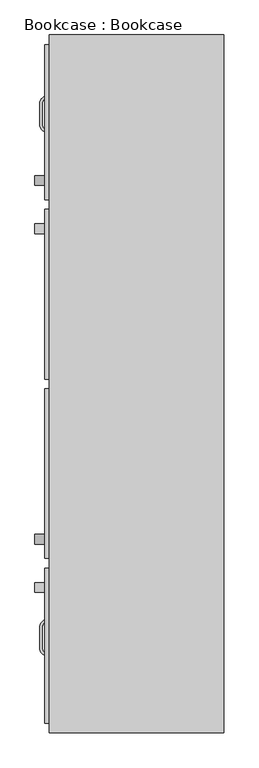
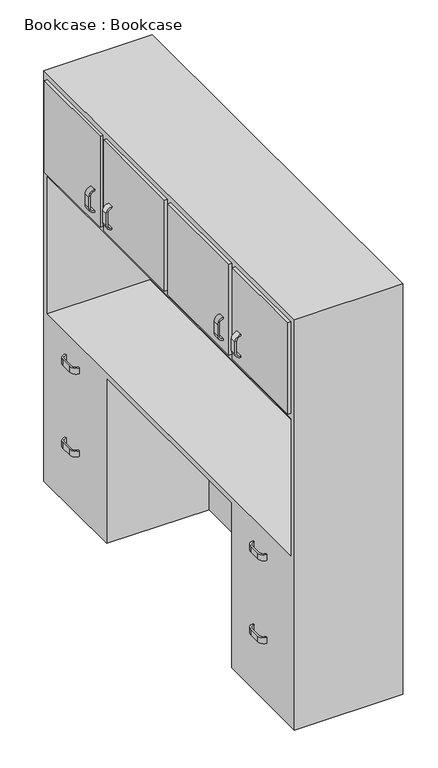
"""IFC4 building model written with IfcOpenShell, lengths in millimetres: furniture geometry, Bookcase : Bookcase."""

from ifc_helpers import new_model, si_unit, point, frame, frame_2d, origin, place, context, project, spatial, polyline, circle_curve, trimmed, segment, composite_curve, outline, extrude, faceted_brep, source, transform, mapped, element, save


def bookcase_bookcase_0d0d05a2(model_context):
    return source(origin(), model_context, "Body", "SolidModel", [
        extrude(outline(polyline([(-228.6, -8.3710981), (-215.9, -8.3710981), (-215.9, -452.8710981), (-228.6, -452.8710981), (-228.6, -8.3710981)])), frame((0.0, 0.0, 1397.0), z_axis=(0.0, 0.0, 1.0), x_axis=(1.0, 0.0, 0.0)), (0.0, 0.0, 1.0), 406.4),
        extrude(outline(polyline([(-228.6, 461.5289019), (-215.9, 461.5289019), (-215.9, 17.0289019), (-228.6, 17.0289019), (-228.6, 461.5289019)])), frame((0.0, 0.0, 1397.0), z_axis=(0.0, 0.0, 1.0), x_axis=(1.0, 0.0, 0.0)), (0.0, 0.0, 1.0), 406.4),
        extrude(outline(polyline([(-228.6, 893.3289019), (-215.9, 893.3289019), (-215.9, 486.9289019), (-228.6, 486.9289019), (-228.6, 893.3289019)])), frame((0.0, 0.0, 1397.0), z_axis=(0.0, 0.0, 1.0), x_axis=(1.0, 0.0, 0.0)), (0.0, 0.0, 1.0), 406.4),
        extrude(outline(polyline([(-228.6, -478.2710981), (-215.9, -478.2710981), (-215.9, -884.6710981), (-228.6, -884.6710981), (-228.6, -478.2710981)])), frame((0.0, 0.0, 1397.0), z_axis=(0.0, 0.0, 1.0), x_axis=(1.0, 0.0, 0.0)), (0.0, 0.0, 1.0), 406.4),
        extrude(outline(composite_curve([segment(polyline([(-241.3, 686.1820917), (-241.3, 736.9820917)]), True, "CONTINUOUS"), segment(trimmed(circle_curve(frame_2d((-215.9, 736.9820917)), 25.4), [point((-241.3, 736.9820917))], [point((-215.9, 762.3820917))], False, "CARTESIAN"), True, "CONTINUOUS"), segment(polyline([(-215.9, 762.3820917), (-215.9, 756.0320917)]), True, "CONTINUOUS"), segment(trimmed(circle_curve(frame_2d((-215.9, 736.9820917)), 19.05), [point((-215.9, 756.0320917))], [point((-234.95, 736.9820917))], True, "CARTESIAN"), True, "CONTINUOUS"), segment(polyline([(-234.95, 736.9820917), (-234.95, 686.1820917)]), True, "CONTINUOUS"), segment(trimmed(circle_curve(frame_2d((-215.9, 686.1820917)), 19.05), [point((-234.95, 686.1820917))], [point((-215.9, 667.1320917))], True, "CARTESIAN"), True, "CONTINUOUS"), segment(polyline([(-215.9, 667.1320917), (-215.9, 660.7820917)]), True, "CONTINUOUS"), segment(trimmed(circle_curve(frame_2d((-215.9, 686.1820917)), 25.4), [point((-215.9, 660.7820917))], [point((-241.3, 686.1820917))], False, "CARTESIAN"), True, "CONTINUOUS")], self_intersect=False)), frame((0.0, 0.0, 266.9011355), z_axis=(0.0, 0.0, 1.0), x_axis=(1.0, 0.0, 0.0)), (0.0, 0.0, 1.0), 25.0236577),
        extrude(outline(composite_curve([segment(polyline([(-241.3, 686.1820917), (-241.3, 736.9820917)]), True, "CONTINUOUS"), segment(trimmed(circle_curve(frame_2d((-215.9, 736.9820917)), 25.4), [point((-241.3, 736.9820917))], [point((-215.9, 762.3820917))], False, "CARTESIAN"), True, "CONTINUOUS"), segment(polyline([(-215.9, 762.3820917), (-215.9, 756.0320917)]), True, "CONTINUOUS"), segment(trimmed(circle_curve(frame_2d((-215.9, 736.9820917)), 19.05), [point((-215.9, 756.0320917))], [point((-234.95, 736.9820917))], True, "CARTESIAN"), True, "CONTINUOUS"), segment(polyline([(-234.95, 736.9820917), (-234.95, 686.1820917)]), True, "CONTINUOUS"), segment(trimmed(circle_curve(frame_2d((-215.9, 686.1820917)), 19.05), [point((-234.95, 686.1820917))], [point((-215.9, 667.1320917))], True, "CARTESIAN"), True, "CONTINUOUS"), segment(polyline([(-215.9, 667.1320917), (-215.9, 660.7820917)]), True, "CONTINUOUS"), segment(trimmed(circle_curve(frame_2d((-215.9, 686.1820917)), 25.4), [point((-215.9, 660.7820917))], [point((-241.3, 686.1820917))], False, "CARTESIAN"), True, "CONTINUOUS")], self_intersect=False)), frame((0.0, 0.0, 636.0613784), z_axis=(0.0, 0.0, 1.0), x_axis=(1.0, 0.0, 0.0)), (0.0, 0.0, 1.0), 25.6830473),
        extrude(outline(composite_curve([segment(polyline([(-241.3, -685.4179083), (-241.3, -634.6179083)]), True, "CONTINUOUS"), segment(trimmed(circle_curve(frame_2d((-215.9, -634.6179083)), 25.4), [point((-241.3, -634.6179083))], [point((-215.9, -609.2179083))], False, "CARTESIAN"), True, "CONTINUOUS"), segment(polyline([(-215.9, -609.2179083), (-215.9, -615.5679083)]), True, "CONTINUOUS"), segment(trimmed(circle_curve(frame_2d((-215.9, -634.6179083)), 19.05), [point((-215.9, -615.5679083))], [point((-234.95, -634.6179083))], True, "CARTESIAN"), True, "CONTINUOUS"), segment(polyline([(-234.95, -634.6179083), (-234.95, -685.4179083)]), True, "CONTINUOUS"), segment(trimmed(circle_curve(frame_2d((-215.9, -685.4179083)), 19.05), [point((-234.95, -685.4179083))], [point((-215.9, -704.4679083))], True, "CARTESIAN"), True, "CONTINUOUS"), segment(polyline([(-215.9, -704.4679083), (-215.9, -710.8179083)]), True, "CONTINUOUS"), segment(trimmed(circle_curve(frame_2d((-215.9, -685.4179083)), 25.4), [point((-215.9, -710.8179083))], [point((-241.3, -685.4179083))], False, "CARTESIAN"), True, "CONTINUOUS")], self_intersect=False)), frame((0.0, 0.0, 266.9011355), z_axis=(0.0, 0.0, 1.0), x_axis=(1.0, 0.0, 0.0)), (0.0, 0.0, 1.0), 25.0236577),
        extrude(outline(composite_curve([segment(polyline([(-241.3, -685.4179083), (-241.3, -634.6179083)]), True, "CONTINUOUS"), segment(trimmed(circle_curve(frame_2d((-215.9, -634.6179083)), 25.4), [point((-241.3, -634.6179083))], [point((-215.9, -609.2179083))], False, "CARTESIAN"), True, "CONTINUOUS"), segment(polyline([(-215.9, -609.2179083), (-215.9, -615.5679083)]), True, "CONTINUOUS"), segment(trimmed(circle_curve(frame_2d((-215.9, -634.6179083)), 19.05), [point((-215.9, -615.5679083))], [point((-234.95, -634.6179083))], True, "CARTESIAN"), True, "CONTINUOUS"), segment(polyline([(-234.95, -634.6179083), (-234.95, -685.4179083)]), True, "CONTINUOUS"), segment(trimmed(circle_curve(frame_2d((-215.9, -685.4179083)), 19.05), [point((-234.95, -685.4179083))], [point((-215.9, -704.4679083))], True, "CARTESIAN"), True, "CONTINUOUS"), segment(polyline([(-215.9, -704.4679083), (-215.9, -710.8179083)]), True, "CONTINUOUS"), segment(trimmed(circle_curve(frame_2d((-215.9, -685.4179083)), 25.4), [point((-215.9, -710.8179083))], [point((-241.3, -685.4179083))], False, "CARTESIAN"), True, "CONTINUOUS")], self_intersect=False)), frame((0.0, 0.0, 636.0613784), z_axis=(0.0, 0.0, 1.0), x_axis=(1.0, 0.0, 0.0)), (0.0, 0.0, 1.0), 25.6830473),
        faceted_brep([(241.3, 918.7289019, 1828.8), (-215.9, 918.7289019, 1828.8), (-215.9, -910.0710981, 1828.8), (241.3, -910.0710981, 1828.8), (241.3, 918.7289019, 0.0), (241.3, -910.0710981, 0.0), (-215.9, -910.0710981, 0.0), (-215.9, -452.8710981, 0.0), (215.9, -452.8710981, 0.0), (215.9, 461.5289019, 0.0), (-215.9, 461.5289019, 0.0), (-215.9, 918.7289019, 0.0), (-215.9, 461.5289019, 736.9244184), (-215.9, -452.8710981, 736.9244184), (-215.9, 893.3289019, 1371.6), (-215.9, -884.6710981, 1371.6), (-215.9, -884.6710981, 762.0), (-215.9, 893.3289019, 762.0), (215.9, 461.5289019, 736.9244184), (215.9, -452.8710981, 736.9244184), (215.9, 893.3289019, 1371.6), (215.9, -884.6710981, 1371.6), (215.9, -884.6710981, 762.0), (215.9, 893.3289019, 762.0)], [[[0, 1, 2, 3]], [[4, 5, 6, 7, 8, 9, 10, 11]], [[1, 0, 4, 11]], [[2, 1, 11, 10, 12, 13, 7, 6], [14, 15, 16, 17]], [[3, 2, 6, 5]], [[0, 3, 5, 4]], [[12, 18, 19, 13]], [[13, 19, 8, 7]], [[19, 18, 9, 8]], [[18, 12, 10, 9]], [[20, 21, 15, 14]], [[22, 23, 17, 16]], [[21, 22, 16, 15]], [[21, 20, 23, 22]], [[23, 20, 14, 17]]]),
        extrude(outline(composite_curve([segment(polyline([(1518.724273, -254.0), (1467.924273, -254.0)]), True, "CONTINUOUS"), segment(trimmed(circle_curve(frame_2d((1467.924273, -228.6)), 25.4), [point((1467.924273, -254.0))], [point((1442.524273, -228.6))], False, "CARTESIAN"), True, "CONTINUOUS"), segment(polyline([(1442.524273, -228.6), (1448.874273, -228.6)]), True, "CONTINUOUS"), segment(trimmed(circle_curve(frame_2d((1467.924273, -228.6)), 19.05), [point((1448.874273, -228.6))], [point((1467.924273, -247.65))], True, "CARTESIAN"), True, "CONTINUOUS"), segment(polyline([(1467.924273, -247.65), (1518.724273, -247.65)]), True, "CONTINUOUS"), segment(trimmed(circle_curve(frame_2d((1518.724273, -228.6)), 19.05), [point((1518.724273, -247.65))], [point((1537.774273, -228.6))], True, "CARTESIAN"), True, "CONTINUOUS"), segment(polyline([(1537.774273, -228.6), (1544.124273, -228.6)]), True, "CONTINUOUS"), segment(trimmed(circle_curve(frame_2d((1518.724273, -228.6)), 25.4), [point((1544.124273, -228.6))], [point((1518.724273, -254.0))], False, "CARTESIAN"), True, "CONTINUOUS")], self_intersect=False)), frame((0.0, -541.6179759, 0.0), z_axis=(0.0, 1.0, 0.0), x_axis=(0.0, 0.0, 1.0)), (0.0, 0.0, 1.0), 25.6830473),
        extrude(outline(composite_curve([segment(polyline([(1518.724273, -254.0), (1467.924273, -254.0)]), True, "CONTINUOUS"), segment(trimmed(circle_curve(frame_2d((1467.924273, -228.6)), 25.4), [point((1467.924273, -254.0))], [point((1442.524273, -228.6))], False, "CARTESIAN"), True, "CONTINUOUS"), segment(polyline([(1442.524273, -228.6), (1448.874273, -228.6)]), True, "CONTINUOUS"), segment(trimmed(circle_curve(frame_2d((1467.924273, -228.6)), 19.05), [point((1448.874273, -228.6))], [point((1467.924273, -247.65))], True, "CARTESIAN"), True, "CONTINUOUS"), segment(polyline([(1467.924273, -247.65), (1518.724273, -247.65)]), True, "CONTINUOUS"), segment(trimmed(circle_curve(frame_2d((1518.724273, -228.6)), 19.05), [point((1518.724273, -247.65))], [point((1537.774273, -228.6))], True, "CARTESIAN"), True, "CONTINUOUS"), segment(polyline([(1537.774273, -228.6), (1544.124273, -228.6)]), True, "CONTINUOUS"), segment(trimmed(circle_curve(frame_2d((1518.724273, -228.6)), 25.4), [point((1544.124273, -228.6))], [point((1518.724273, -254.0))], False, "CARTESIAN"), True, "CONTINUOUS")], self_intersect=False)), frame((0.0, -415.2072676, 0.0), z_axis=(0.0, 1.0, 0.0), x_axis=(0.0, 0.0, 1.0)), (0.0, 0.0, 1.0), 25.6830473),
        extrude(outline(composite_curve([segment(polyline([(1518.724273, -254.0), (1467.924273, -254.0)]), True, "CONTINUOUS"), segment(trimmed(circle_curve(frame_2d((1467.924273, -228.6)), 25.4), [point((1467.924273, -254.0))], [point((1442.524273, -228.6))], False, "CARTESIAN"), True, "CONTINUOUS"), segment(polyline([(1442.524273, -228.6), (1448.874273, -228.6)]), True, "CONTINUOUS"), segment(trimmed(circle_curve(frame_2d((1467.924273, -228.6)), 19.05), [point((1448.874273, -228.6))], [point((1467.924273, -247.65))], True, "CARTESIAN"), True, "CONTINUOUS"), segment(polyline([(1467.924273, -247.65), (1518.724273, -247.65)]), True, "CONTINUOUS"), segment(trimmed(circle_curve(frame_2d((1518.724273, -228.6)), 19.05), [point((1518.724273, -247.65))], [point((1537.774273, -228.6))], True, "CARTESIAN"), True, "CONTINUOUS"), segment(polyline([(1537.774273, -228.6), (1544.124273, -228.6)]), True, "CONTINUOUS"), segment(trimmed(circle_curve(frame_2d((1518.724273, -228.6)), 25.4), [point((1544.124273, -228.6))], [point((1518.724273, -254.0))], False, "CARTESIAN"), True, "CONTINUOUS")], self_intersect=False)), frame((0.0, 398.1820241, 0.0), z_axis=(0.0, 1.0, 0.0), x_axis=(0.0, 0.0, 1.0)), (0.0, 0.0, 1.0), 25.6830473),
        extrude(outline(composite_curve([segment(polyline([(1518.724273, -254.0), (1467.924273, -254.0)]), True, "CONTINUOUS"), segment(trimmed(circle_curve(frame_2d((1467.924273, -228.6)), 25.4), [point((1467.924273, -254.0))], [point((1442.524273, -228.6))], False, "CARTESIAN"), True, "CONTINUOUS"), segment(polyline([(1442.524273, -228.6), (1448.874273, -228.6)]), True, "CONTINUOUS"), segment(trimmed(circle_curve(frame_2d((1467.924273, -228.6)), 19.05), [point((1448.874273, -228.6))], [point((1467.924273, -247.65))], True, "CARTESIAN"), True, "CONTINUOUS"), segment(polyline([(1467.924273, -247.65), (1518.724273, -247.65)]), True, "CONTINUOUS"), segment(trimmed(circle_curve(frame_2d((1518.724273, -228.6)), 19.05), [point((1518.724273, -247.65))], [point((1537.774273, -228.6))], True, "CARTESIAN"), True, "CONTINUOUS"), segment(polyline([(1537.774273, -228.6), (1544.124273, -228.6)]), True, "CONTINUOUS"), segment(trimmed(circle_curve(frame_2d((1518.724273, -228.6)), 25.4), [point((1544.124273, -228.6))], [point((1518.724273, -254.0))], False, "CARTESIAN"), True, "CONTINUOUS")], self_intersect=False)), frame((0.0, 524.5927324, 0.0), z_axis=(0.0, 1.0, 0.0), x_axis=(0.0, 0.0, 1.0)), (0.0, 0.0, 1.0), 25.6830473),
    ])


if __name__ == "__main__":
    model = new_model("IFC4")
    model_context = context("Model", 3, world=origin())
    ifc_project = project(units=[si_unit("LENGTHUNIT", "METRE", prefix="MILLI")], contexts=[model_context])
    site = spatial("IfcSite", under=ifc_project)
    building = spatial("IfcBuilding", under=site)
    placement = place(None, origin())
    bookcase_bookcase_shape = bookcase_bookcase_0d0d05a2(model_context)
    element("IfcFurniture", 1, ObjectType="Bookcase : Bookcase", at=placement, inside=building, context=model_context, shape_type="MappedRepresentation", body=[
        mapped(bookcase_bookcase_shape, transform((0.0, 0.0, 0.0), x_axis=(1.0, 0.0, 0.0), y_axis=(0.0, 1.0, 0.0), z_axis=(0.0, 0.0, 1.0))),
    ])
    save(model, "model.ifc")
